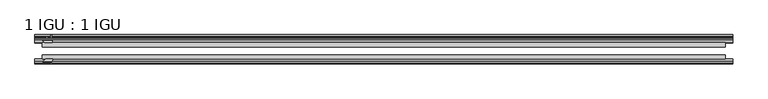
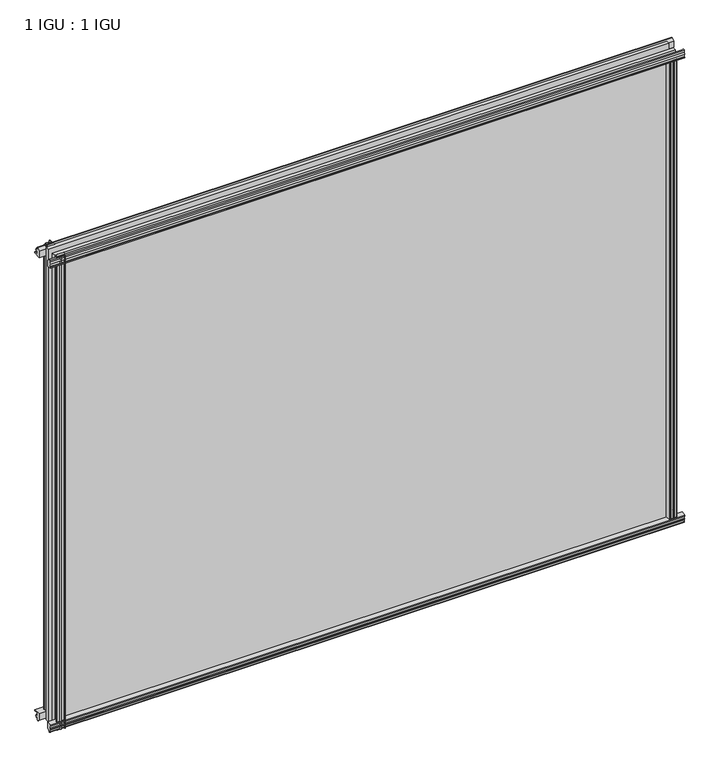
"""IFC4 building model written with IfcOpenShell, lengths in millimetres: plate geometry, 1 IGU : 1 IGU."""

from ifc_helpers import new_model, si_unit, point, frame, frame_2d, origin, origin_with_axes, place, context, project, spatial, polyline, circle_curve, trimmed, segment, composite_curve, outline, extrude, source, transform, mapped, element, save


def plate_1_igu_1_igu_44bf84f4(model_context):
    return source(origin(), model_context, "Body", "SweptSolid", [
        extrude(outline(polyline([(-24.9039062, 2.5763839), (-12.2039062, 1.5739665), (-12.2039062, 0.0), (-18.5539062, 0.0), (-18.5539062, -4.953), (-16.254502, -5.5691235), (-16.6301757, -4.1670901), (-15.7714677, -3.937), (-15.1249062, -6.35), (-15.7714677, -8.763), (-16.6301757, -8.5329099), (-16.254502, -7.1308765), (-18.5539062, -7.747), (-18.5539062, -12.7), (-20.5859062, -12.7), (-24.9039062, -9.1036931), (-24.9039062, 2.5763839)])), frame((-549.0212369, 0.0, 0.0), z_axis=(1.0, 0.0, 0.0), x_axis=(0.0, 1.0, 0.0)), (0.0, 0.0, 1.0), 1096.3557551),
        extrude(outline(composite_curve([segment(polyline([(-58.2287402, 1.5687054), (-50.3039062, 3.0983599), (-50.3039062, -7.92383), (-54.4858806, -12.1058044)]), True, "CONTINUOUS"), segment(trimmed(circle_curve(frame_2d((-55.3839062, -11.2077788)), 1.27), [point((-54.4858806, -12.1058044))], [point((-56.6539062, -11.2077788))], False, "CARTESIAN"), True, "CONTINUOUS"), segment(polyline([(-56.6539062, -11.2077788), (-56.6539062, -8.0327788), (-58.1332022, -5.4488186), (-56.6539062, -5.1879788), (-56.6539062, 0.2222212), (-58.2287402, 0.0), (-58.2287402, 1.5687054)]), True, "CONTINUOUS")], self_intersect=False)), frame((-549.0212369, 0.0, 0.0), z_axis=(1.0, 0.0, 0.0), x_axis=(0.0, 1.0, 0.0)), (0.0, 0.0, 1.0), 1096.3557551),
        extrude(outline(polyline([(-18.5539063, 845.956525), (-16.254502, 845.3404015), (-16.6301757, 846.7424349), (-15.7714677, 846.972525), (-15.1249063, 844.559525), (-15.7714677, 842.146525), (-16.6301757, 842.3766151), (-16.254502, 843.7786485), (-18.5539063, 843.162525), (-18.5539063, 838.209525), (-12.2039062, 838.209525), (-12.2039062, 836.6355585), (-24.9039063, 835.6331411), (-24.9039063, 847.3132181), (-20.5859063, 850.909525), (-18.5539063, 850.909525), (-18.5539063, 845.956525)])), frame((-549.0212369, 0.0, 0.0), z_axis=(1.0, 0.0, 0.0), x_axis=(0.0, 1.0, 0.0)), (0.0, 0.0, 1.0), 1096.3557551),
        extrude(outline(composite_curve([segment(polyline([(-50.3039063, 846.133355), (-50.3039063, 835.1111651), (-58.2287402, 836.6408196), (-58.2287402, 838.209525), (-56.6539063, 837.9873038), (-56.6539063, 843.3975038), (-58.1332023, 843.6583436), (-56.6539063, 846.2423038), (-56.6539063, 849.4173038)]), True, "CONTINUOUS"), segment(trimmed(circle_curve(frame_2d((-55.3839063, 849.4173038)), 1.27), [point((-56.6539063, 849.4173038))], [point((-54.4858806, 850.3153294))], False, "CARTESIAN"), True, "CONTINUOUS"), segment(polyline([(-54.4858806, 850.3153294), (-50.3039063, 846.133355)]), True, "CONTINUOUS")], self_intersect=False)), frame((-549.0212369, 0.0, 0.0), z_axis=(1.0, 0.0, 0.0), x_axis=(0.0, 1.0, 0.0)), (0.0, 0.0, 1.0), 1096.3557551),
        extrude(outline(composite_curve([segment(polyline([(521.0416742, -57.3876965), (519.6743583, -50.3039063), (530.6965482, -50.3039063), (534.8785226, -54.4858806)]), True, "CONTINUOUS"), segment(trimmed(circle_curve(frame_2d((533.980497, -55.3839063)), 1.27), [point((534.8785226, -54.4858806))], [point((533.980497, -56.6539063))], False, "CARTESIAN"), True, "CONTINUOUS"), segment(polyline([(533.980497, -56.6539063), (530.805497, -56.6539063), (528.2215368, -58.1332023), (527.960697, -56.6539063), (522.550497, -56.6539063), (522.7727182, -58.2287402), (521.8083974, -58.2014026)]), True, "CONTINUOUS"), segment(trimmed(circle_curve(frame_2d((522.042497, -57.2127402)), 1.016), [point((521.8083974, -58.2014026))], [point((521.0416742, -57.3876965))], False, "CARTESIAN"), True, "CONTINUOUS")], self_intersect=False)), origin_with_axes(), (0.0, 0.0, 1.0), 838.6064),
        extrude(outline(polyline([(527.7257182, -18.5539063), (528.3418417, -16.254502), (526.9398083, -16.6301757), (526.7097182, -15.7714677), (529.1227182, -15.1249063), (531.5357182, -15.7714677), (531.305628, -16.6301757), (529.9035947, -16.254502), (530.5197182, -18.5539063), (535.4727182, -18.5539063), (535.4727182, -20.5859063), (531.8764113, -24.9039063), (520.1963343, -24.9039063), (521.1987516, -12.2039063), (522.7727182, -12.2039063), (522.7727182, -18.5539063), (527.7257182, -18.5539063)])), origin_with_axes(), (0.0, 0.0, 1.0), 838.6064),
        extrude(outline(composite_curve([segment(polyline([(-532.4922157, -56.6539062), (-535.6672157, -56.6539062)]), True, "CONTINUOUS"), segment(trimmed(circle_curve(frame_2d((-535.6672157, -55.3839062)), 1.27), [point((-535.6672157, -56.6539062))], [point((-536.5652413, -54.4858806))], False, "CARTESIAN"), True, "CONTINUOUS"), segment(polyline([(-536.5652413, -54.4858806), (-532.3832669, -50.3039062), (-528.7137215, -50.3039062)]), True, "CONTINUOUS"), segment(trimmed(circle_curve(frame_2d((-526.6502157, -46.3669062)), 4.445), [point((-528.7137215, -50.3039062))], [point((-524.58671, -50.3039062))], True, "CARTESIAN"), True, "CONTINUOUS"), segment(polyline([(-524.58671, -50.3039062), (-521.361077, -50.3039062), (-522.8907315, -58.2287402), (-524.4594369, -58.2287402), (-524.2372157, -56.6539062), (-529.6474157, -56.6539062), (-529.9082555, -58.1332022), (-532.4922157, -56.6539062)]), True, "CONTINUOUS")], self_intersect=False)), frame((0.0, 0.0, -12.7), z_axis=(0.0, 0.0, 1.0), x_axis=(1.0, 0.0, 0.0)), (0.0, 0.0, 1.0), 863.609525),
        extrude(outline(polyline([(-521.883053, -24.9039062), (-533.56313, -24.9039062), (-537.1594369, -20.5859062), (-537.1594369, -18.5539062), (-532.2064369, -18.5539062), (-531.5903134, -16.254502), (-532.9923468, -16.6301757), (-533.2224369, -15.7714677), (-530.8094369, -15.1249062), (-528.3964369, -15.7714677), (-528.6265271, -16.6301757), (-530.0285604, -16.254502), (-529.4124369, -18.5539062), (-524.4594369, -18.5539062), (-524.4594369, -12.2039062), (-522.8854704, -12.2039062), (-521.883053, -24.9039062)])), frame((0.0, 0.0, -12.7), z_axis=(0.0, 0.0, 1.0), x_axis=(1.0, 0.0, 0.0)), (0.0, 0.0, 1.0), 863.609525),
        extrude(outline(polyline([(535.4727182, -24.9039062), (535.4727182, -31.2031063), (-537.1594369, -31.2031063), (-537.1594369, -24.9039062), (535.4727182, -24.9039062)])), frame((0.0, 0.0, -12.7), z_axis=(0.0, 0.0, 1.0), x_axis=(1.0, 0.0, 0.0)), (0.0, 0.0, 1.0), 863.609525),
        extrude(outline(polyline([(-537.1594369, -44.0047063), (535.4727182, -44.0047063), (535.4727182, -50.3039062), (-537.1594369, -50.3039062), (-537.1594369, -44.0047063)])), frame((0.0, 0.0, -12.7), z_axis=(0.0, 0.0, 1.0), x_axis=(1.0, 0.0, 0.0)), (0.0, 0.0, 1.0), 863.609525),
    ])


if __name__ == "__main__":
    model = new_model("IFC4")
    model_context = context("Model", 3, world=origin())
    ifc_project = project(units=[si_unit("LENGTHUNIT", "METRE", prefix="MILLI")], contexts=[model_context])
    site = spatial("IfcSite", under=ifc_project)
    building = spatial("IfcBuilding", under=site)
    placement = place(None, origin())
    plate_1_igu_1_igu_shape = plate_1_igu_1_igu_44bf84f4(model_context)
    element("IfcPlate", 1, ObjectType="1 IGU : 1 IGU", at=placement, inside=building, context=model_context, shape_type="MappedRepresentation", body=[
        mapped(plate_1_igu_1_igu_shape, transform((0.0, 0.0, 0.0), x_axis=(1.0, 0.0, 0.0), y_axis=(0.0, 1.0, 0.0), z_axis=(0.0, 0.0, 1.0))),
    ])
    save(model, "model.ifc")
